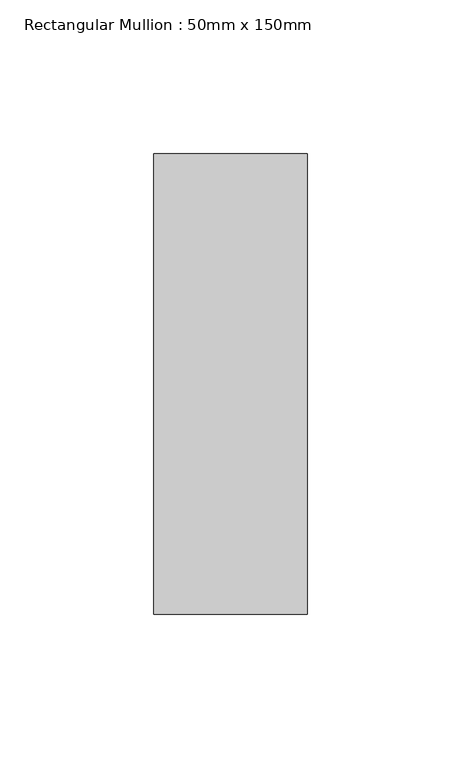
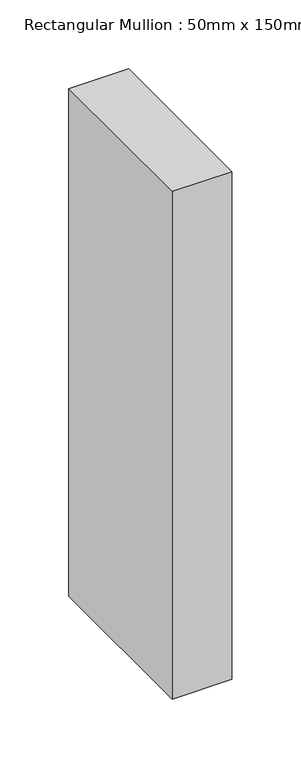
"""IFC4 building model written with IfcOpenShell, lengths in millimetres: member geometry, Rectangular Mullion : 50mm x 150mm."""

from ifc_helpers import new_model, si_unit, frame, origin, place, context, project, spatial, polyline, outline, extrude, source, transform, mapped, element, save


def rectangular_mullion_50mm_x_150mm_567eccab(model_context):
    return source(origin(), model_context, "Body", "SweptSolid", [
        extrude(outline(polyline([(25.0, 75.0), (25.0, -75.0), (-25.0, -75.0), (-25.0, 75.0), (25.0, 75.0)])), frame((0.0, 0.0, -450.0), z_axis=(0.0, 0.0, 1.0), x_axis=(1.0, 0.0, 0.0)), (0.0, 0.0, 1.0), 450.0),
    ])


if __name__ == "__main__":
    model = new_model("IFC4")
    model_context = context("Model", 3, world=origin())
    ifc_project = project(units=[si_unit("LENGTHUNIT", "METRE", prefix="MILLI")], contexts=[model_context])
    site = spatial("IfcSite", under=ifc_project)
    building = spatial("IfcBuilding", under=site)
    placement = place(None, origin())
    rectangular_mullion_50mm_x_150mm_shape = rectangular_mullion_50mm_x_150mm_567eccab(model_context)
    element("IfcMember", 1, ObjectType="Rectangular Mullion : 50mm x 150mm", at=placement, inside=building, context=model_context, shape_type="MappedRepresentation", body=[
        mapped(rectangular_mullion_50mm_x_150mm_shape, transform((0.0, 0.0, 0.0), x_axis=(1.0, 0.0, 0.0), y_axis=(0.0, 1.0, 0.0), z_axis=(0.0, 0.0, 1.0))),
    ])
    save(model, "model.ifc")
